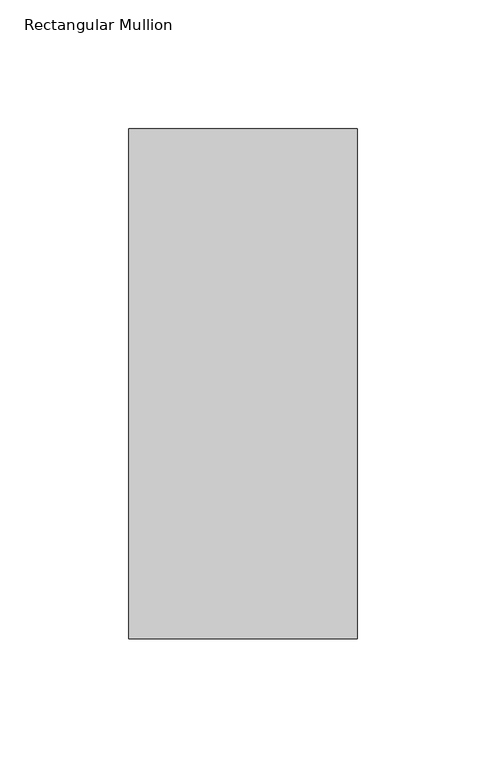
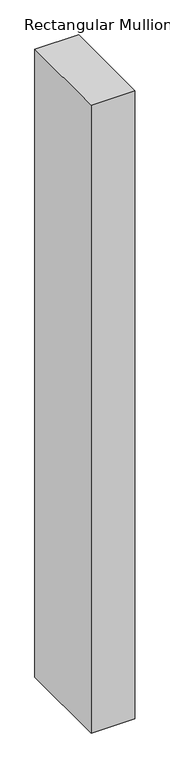
"""IFC4 building model written with IfcOpenShell, lengths in millimetres: member geometry, Rectangular Mullion."""

import ifcopenshell
import ifcopenshell.guid

model = None  # the IFC model being written
_history = None  # IfcOwnerHistory: only IFC2X3 demands one
_inside = {}  # id of a spatial element -> (the spatial element, [elements in it])
_under = {}  # id of a project, library or spatial element -> (it, [spatial elements below it])
_declared = {}  # id of a project -> (the project, [libraries it declares])
_typed = {}  # id of a type object -> (the type object, [elements of that type])
_made_of = {}  # id of a material, layer set ... -> (it, [elements and type objects made of it])


def new_model(schema):
    """Start an empty IFC model of exactly this schema.

    Asked for "IFC4X3", IfcOpenShell would pick the latest addendum, in which some entities
    have other attributes; the version numbers below select the first issue.
    IFC2X3 requires an IfcOwnerHistory on every rooted entity: one is made here for all.
    """
    global model, _history
    if schema == "IFC4X3":
        model = ifcopenshell.file(schema_version=(4, 3, 0, 0))
    else:
        model = ifcopenshell.file(schema=schema)
    _inside.clear()
    _under.clear()
    _declared.clear()
    _typed.clear()
    _made_of.clear()
    _history = None
    if model.schema == "IFC2X3":
        org = make("IfcOrganization", Name="unknown")
        user = make(
            "IfcPersonAndOrganization",
            ThePerson=make("IfcPerson", FamilyName="unknown"),
            TheOrganization=org,
        )
        app = make(
            "IfcApplication",
            ApplicationDeveloper=org,
            Version="unknown",
            ApplicationFullName="unknown",
            ApplicationIdentifier="unknown",
        )
        _history = make(
            "IfcOwnerHistory",
            OwningUser=user,
            OwningApplication=app,
            ChangeAction="ADDED",
            CreationDate=0,
        )
    return model


def make(cls, **values):
    """One entity of the class cls with the attributes given. An attribute that is None is left unset."""
    return model.create_entity(
        cls, **{name: value for name, value in values.items() if value is not None}
    )


def rooted(cls, **values):
    """An entity with a GlobalId (a new one), such as an element, a storey or a relation."""
    return make(cls, GlobalId=ifcopenshell.guid.new(), OwnerHistory=_history, **values)


def si_unit(unit_type, name, prefix=None):
    """IfcSIUnit, for example si_unit("LENGTHUNIT", "METRE", prefix="MILLI")."""
    return make("IfcSIUnit", UnitType=unit_type, Prefix=prefix, Name=name)


def assignment(units):
    """IfcUnitAssignment: the units of a project."""
    return None if units is None else make("IfcUnitAssignment", Units=units)


def point(xyz):
    """IfcCartesianPoint."""
    return None if xyz is None else make("IfcCartesianPoint", Coordinates=xyz)


def direction(xyz):
    """IfcDirection."""
    return None if xyz is None else make("IfcDirection", DirectionRatios=xyz)


def frame(location, z_axis=None, x_axis=None):
    """IfcAxis2Placement3D, a coordinate frame: its origin and axes. An axis left out is left unset."""
    return make(
        "IfcAxis2Placement3D",
        Location=point(location),
        Axis=direction(z_axis),
        RefDirection=direction(x_axis),
    )


def origin():
    """The frame at (0, 0, 0) with its axes left unset."""
    return frame((0.0, 0.0, 0.0))


def place(relative_to, where):
    """IfcLocalPlacement: puts the frame where relative to a parent placement (None: the world)."""
    return make(
        "IfcLocalPlacement", PlacementRelTo=relative_to, RelativePlacement=where
    )


def context(
    kind, dimensions, precision=None, world=None, true_north=None, identifier=None
):
    """IfcGeometricRepresentationContext, for example the 3D "Model" context."""
    return make(
        "IfcGeometricRepresentationContext",
        ContextIdentifier=identifier,
        ContextType=kind,
        CoordinateSpaceDimension=dimensions,
        Precision=precision,
        WorldCoordinateSystem=world,
        TrueNorth=true_north,
    )


def project(units=None, contexts=None):
    """IfcProject with its units and contexts."""
    return rooted(
        "IfcProject",
        Name="project",
        RepresentationContexts=contexts,
        UnitsInContext=assignment(units),
    )


def spatial(cls, under=None, at=None, **own):
    """A site, building, storey or space (cls), placed at a placement, below another one or the project."""
    s = rooted(cls, ObjectPlacement=at, **own)
    if under is not None:
        _under.setdefault(under.id(), (under, []))[1].append(s)
    return s


def polyline(points):
    """IfcPolyline through the points."""
    return make("IfcPolyline", Points=[point(p) for p in points])


def outline(outer, holes=None, kind="AREA"):
    """IfcArbitraryClosedProfileDef: a profile drawn as a closed curve; with holes, ...WithVoids."""
    if holes is None:
        return make("IfcArbitraryClosedProfileDef", ProfileType=kind, OuterCurve=outer)
    return make(
        "IfcArbitraryProfileDefWithVoids",
        ProfileType=kind,
        OuterCurve=outer,
        InnerCurves=holes,
    )


def extrude(swept, where, along, depth):
    """IfcExtrudedAreaSolid: the profile swept, set in the frame where, extruded along a direction by depth."""
    return make(
        "IfcExtrudedAreaSolid",
        SweptArea=swept,
        Position=where,
        ExtrudedDirection=direction(along),
        Depth=depth,
    )


def shape(context_of_items, identifier, shape_type, items):
    """IfcShapeRepresentation: the items that make up one representation, for example the "Body"."""
    return make(
        "IfcShapeRepresentation",
        ContextOfItems=context_of_items,
        RepresentationIdentifier=identifier,
        RepresentationType=shape_type,
        Items=items,
    )


def source(mapping_origin, context_of_items, identifier, shape_type, items):
    """IfcRepresentationMap: a shape defined once, which mapped items show again and again."""
    return make(
        "IfcRepresentationMap",
        MappingOrigin=mapping_origin,
        MappedRepresentation=shape(context_of_items, identifier, shape_type, items),
    )


def transform(
    local_origin,
    x_axis=None,
    y_axis=None,
    z_axis=None,
    scale=None,
    scale2=None,
    scale3=None,
    uniform=True,
):
    """IfcCartesianTransformationOperator3D, or its non-uniform kind. x_axis, y_axis, z_axis: its Axis1, 2, 3."""
    if uniform:
        return make(
            "IfcCartesianTransformationOperator3D",
            Axis1=direction(x_axis),
            Axis2=direction(y_axis),
            LocalOrigin=point(local_origin),
            Scale=scale,
            Axis3=direction(z_axis),
        )
    return make(
        "IfcCartesianTransformationOperator3DnonUniform",
        Axis1=direction(x_axis),
        Axis2=direction(y_axis),
        LocalOrigin=point(local_origin),
        Scale=scale,
        Axis3=direction(z_axis),
        Scale2=scale2,
        Scale3=scale3,
    )


def mapped(mapping_source, mapping_target):
    """IfcMappedItem: shows the shape of a source again, moved by a transform."""
    return make(
        "IfcMappedItem", MappingSource=mapping_source, MappingTarget=mapping_target
    )


def made_of(thing, what):
    """Note that an element or type object is made of a material, layer set ...; save() writes the relation."""
    if what is not None:
        _made_of.setdefault(what.id(), (what, []))[1].append(thing)
    return thing


def element(
    cls,
    number,
    at=None,
    inside=None,
    cuts=None,
    type_object=None,
    material=None,
    context=None,
    identifier="Body",
    shape_type=None,
    held_by="IfcProductDefinitionShape",
    body=None,
    shapes=None,
    **own,
):
    """One element of the class cls, such as IfcWall. Its Tag is "e" and its number.

    at: its placement. inside: the storey or other place that contains it. cuts: it is an
    opening in that element (IfcRelVoidsElement). A single representation is given by context,
    identifier, shape_type and body (its items); several are given by shapes. held_by: the class
    of the entity that holds the representations. save() writes the other relations.
    """
    e = rooted(cls, Tag="e%d" % number, ObjectPlacement=at, **own)
    if body is not None:
        shapes = [shape(context, identifier, shape_type, body)]
    if shapes is not None:
        e.Representation = make(held_by, Representations=shapes)
    if inside is not None:
        _inside.setdefault(inside.id(), (inside, []))[1].append(e)
    if cuts is not None:
        rooted(
            "IfcRelVoidsElement", RelatingBuildingElement=cuts, RelatedOpeningElement=e
        )
    if type_object is not None:
        _typed.setdefault(type_object.id(), (type_object, []))[1].append(e)
    return made_of(e, material)


def aggregate(whole, parts):
    """IfcRelAggregates: a whole, such as a stair, and the parts it consists of."""
    return rooted("IfcRelAggregates", RelatingObject=whole, RelatedObjects=parts)


def save(model, path):
    """Write the relations noted so far, then the file.

    IfcRelAggregates (storeys below a building ...), IfcRelContainedInSpatialStructure (elements
    in a storey), IfcRelDefinesByType, IfcRelAssociatesMaterial and IfcRelDeclares: one each for
    every whole, place, type object, material and project.
    """
    for whole, parts in _under.values():
        aggregate(whole, parts)
    for where, things in _inside.values():
        rooted(
            "IfcRelContainedInSpatialStructure",
            RelatedElements=things,
            RelatingStructure=where,
        )
    for kind, things in _typed.values():
        rooted("IfcRelDefinesByType", RelatedObjects=things, RelatingType=kind)
    for what, things in _made_of.values():
        rooted("IfcRelAssociatesMaterial", RelatedObjects=things, RelatingMaterial=what)
    for by, libraries in _declared.values():
        rooted("IfcRelDeclares", RelatingContext=by, RelatedDefinitions=libraries)
    model.write(path)


def rectangular_mullion_14ce581d(model_context):
    return source(origin(), model_context, "Body", "SweptSolid", [
        extrude(outline(polyline([(-88.9, 42.06875), (0.0, 42.06875), (0.0, -156.36875), (-88.9, -156.36875), (-88.9, 42.06875)])), frame((0.0, 0.0, -1351.75625), z_axis=(0.0, 0.0, 1.0), x_axis=(1.0, 0.0, 0.0)), (0.0, 0.0, 1.0), 1351.75625),
    ])


if __name__ == "__main__":
    model = new_model("IFC4")
    model_context = context("Model", 3, world=origin())
    ifc_project = project(units=[si_unit("LENGTHUNIT", "METRE", prefix="MILLI")], contexts=[model_context])
    site = spatial("IfcSite", under=ifc_project)
    building = spatial("IfcBuilding", under=site)
    placement = place(None, origin())
    rectangular_mullion_shape = rectangular_mullion_14ce581d(model_context)
    element("IfcMember", 1, ObjectType="Rectangular Mullion", at=placement, inside=building, context=model_context, shape_type="MappedRepresentation", body=[
        mapped(rectangular_mullion_shape, transform((0.0, 0.0, 0.0), x_axis=(1.0, 0.0, 0.0), y_axis=(0.0, 1.0, 0.0), z_axis=(0.0, 0.0, 1.0))),
    ])
    save(model, "model.ifc")
